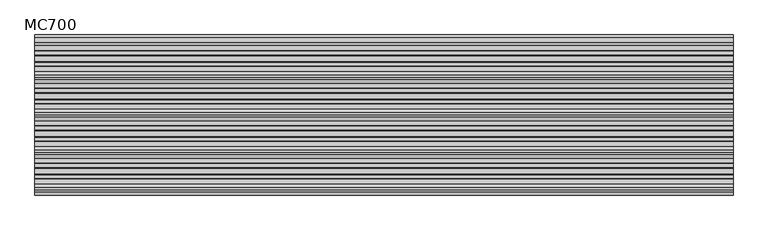
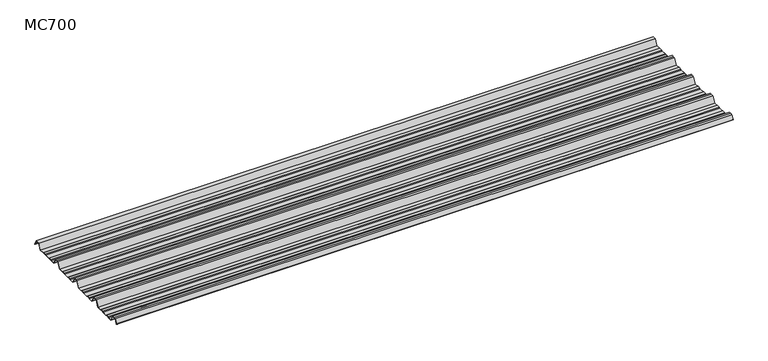
"""IFC4 building model written with IfcOpenShell, lengths in millimetres: beam geometry, MC700."""

from ifc_helpers import new_model, si_unit, point, frame, frame_2d, origin, place, context, project, spatial, polyline, circle_curve, trimmed, segment, composite_curve, outline, extrude, source, transform, mapped, element, save


def mc700_f49d80e4(model_context):
    return source(origin(), model_context, "Body", "SweptSolid", [
        extrude(outline(composite_curve([segment(polyline([(-279.7790109, -25.7896475), (-284.1593286, -23.7494212), (-300.5873198, -23.7494212), (-303.802364, -25.7896475), (-326.5000016, -25.7896475), (-344.5745116, 5.2103525), (-355.0, 5.2103525), (-365.4254884, 5.2103525), (-383.4999984, -25.7896475), (-406.197636, -25.7896475), (-409.4126802, -23.7494212), (-425.8406714, -23.7494212), (-430.2209891, -25.7896475), (-457.2790109, -25.7896475), (-461.6593286, -23.7494212), (-478.0873198, -23.7494212), (-481.302364, -25.7896475), (-504.0000016, -25.7896475), (-522.0745116, 5.2103525), (-532.5, 5.2103525), (-542.9254884, 5.2103525), (-560.9999984, -25.7896475), (-583.697636, -25.7896475), (-586.9126802, -23.7494212), (-603.3406714, -23.7494212), (-607.7209891, -25.7896475), (-634.7790109, -25.7896475), (-639.1593286, -23.7494212), (-655.5873198, -23.7494212), (-658.802364, -25.7896475), (-681.5000016, -25.7896475), (-699.5745116, 5.2103525), (-710.0, 5.2103525), (-720.4254884, 5.2103525), (-732.728303, -15.8904825)]), True, "CONTINUOUS"), segment(trimmed(circle_curve(frame_2d((-733.160246, -15.6386387)), 0.5), [point((-732.728303, -15.8904825))], [point((-733.5921889, -15.3867949))], False, "CARTESIAN"), True, "CONTINUOUS"), segment(polyline([(-733.5921889, -15.3867949), (-721.0, 6.2103525), (-710.0, 6.2103525), (-699.0, 6.2103525), (-680.92549, -24.7896475), (-659.0928785, -24.7896475), (-655.8778343, -22.7494212), (-638.9378651, -22.7494212), (-634.5575473, -24.7896475), (-607.9424527, -24.7896475), (-603.5621349, -22.7494212), (-586.6221657, -22.7494212), (-583.4071215, -24.7896475), (-561.57451, -24.7896475), (-543.5, 6.2103525), (-532.5, 6.2103525), (-521.5, 6.2103525), (-503.42549, -24.7896475), (-481.5928785, -24.7896475), (-478.3778343, -22.7494212), (-461.4378651, -22.7494212), (-457.0575473, -24.7896475), (-430.4424527, -24.7896475), (-426.0621349, -22.7494212), (-409.1221657, -22.7494212), (-405.9071215, -24.7896475), (-384.07451, -24.7896475), (-366.0, 6.2103525), (-355.0, 6.2103525), (-344.0, 6.2103525), (-325.92549, -24.7896475), (-304.0928785, -24.7896475), (-300.8778343, -22.7494212), (-283.9378651, -22.7494212), (-279.5575473, -24.7896475), (-252.9424527, -24.7896475), (-248.5621349, -22.7494212), (-231.6221657, -22.7494212), (-228.4071215, -24.7896475), (-206.57451, -24.7896475), (-188.5, 6.2103525), (-177.5, 6.2103525), (-166.5, 6.2103525), (-148.42549, -24.7896475), (-126.5928785, -24.7896475), (-123.3778343, -22.7494212), (-106.4378651, -22.7494212), (-102.0575473, -24.7896475), (-75.4424527, -24.7896475), (-71.0621349, -22.7494212), (-54.1221657, -22.7494212), (-50.9071215, -24.7896475), (-26.7593894, -24.7896475), (-9.8509769, 4.2103525), (9.8509769, 4.2103525), (24.2964926, -20.5654776)]), True, "CONTINUOUS"), segment(trimmed(circle_curve(frame_2d((23.8645497, -20.8173214)), 0.5), [point((24.2964926, -20.5654776))], [point((23.4326067, -21.0691651))], False, "CARTESIAN"), True, "CONTINUOUS"), segment(polyline([(23.4326067, -21.0691651), (9.2764653, 3.2103525), (-9.2764653, 3.2103525), (-26.1848779, -25.7896475), (-51.197636, -25.7896475), (-54.4126802, -23.7494212), (-70.8406714, -23.7494212), (-75.2209891, -25.7896475), (-102.2790109, -25.7896475), (-106.6593286, -23.7494212), (-123.0873198, -23.7494212), (-126.302364, -25.7896475), (-149.0000016, -25.7896475), (-167.0745116, 5.2103525), (-177.5, 5.2103525), (-187.9254884, 5.2103525), (-205.9999984, -25.7896475), (-228.697636, -25.7896475), (-231.9126802, -23.7494212), (-248.3406714, -23.7494212), (-252.7209891, -25.7896475), (-279.7790109, -25.7896475)]), True, "CONTINUOUS")], self_intersect=False)), frame((-1652.5979575, 0.0, 0.0), z_axis=(1.0, 0.0, 0.0), x_axis=(0.0, 1.0, 0.0)), (0.0, 0.0, 1.0), 3305.1959149),
    ])


if __name__ == "__main__":
    model = new_model("IFC4")
    model_context = context("Model", 3, world=origin())
    ifc_project = project(units=[si_unit("LENGTHUNIT", "METRE", prefix="MILLI")], contexts=[model_context])
    site = spatial("IfcSite", under=ifc_project)
    building = spatial("IfcBuilding", under=site)
    placement = place(None, origin())
    mc700_shape = mc700_f49d80e4(model_context)
    element("IfcBeam", 1, ObjectType="MC700", at=placement, inside=building, context=model_context, shape_type="MappedRepresentation", body=[
        mapped(mc700_shape, transform((0.0, 0.0, 0.0), x_axis=(1.0, 0.0, 0.0), y_axis=(0.0, 1.0, 0.0), z_axis=(0.0, 0.0, 1.0))),
    ])
    save(model, "model.ifc")
